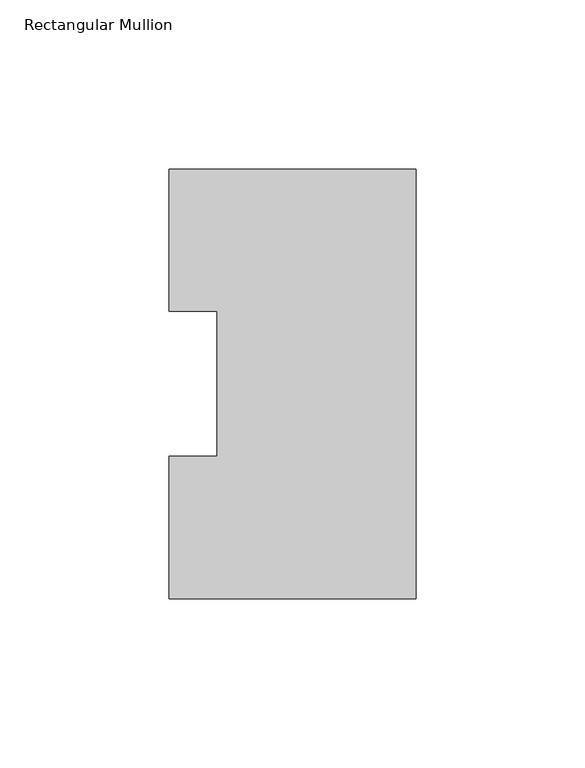
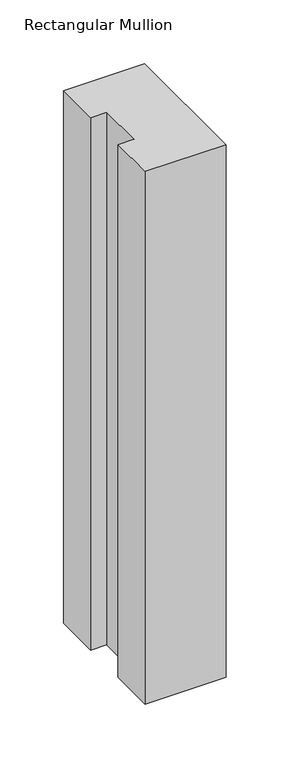
"""IFC4 building model written with IfcOpenShell, lengths in millimetres: member geometry, Rectangular Mullion."""

from ifc_helpers import new_model, si_unit, frame, origin, place, context, project, spatial, polyline, outline, extrude, source, transform, mapped, element, save


def rectangular_mullion_8a8dc2d4(model_context):
    return source(origin(), model_context, "Body", "SweptSolid", [
        extrude(outline(polyline([(0.0, 127.00635), (0.0, 0.00635), (-73.025, 0.00635), (-73.025, 42.08145), (-58.7375, 42.08145), (-58.7375, 84.93125), (-73.025, 84.93125), (-73.025, 127.00635), (0.0, 127.00635)])), frame((0.0, 0.0, -508.152387), z_axis=(0.0, 0.0, 1.0), x_axis=(1.0, 0.0, 0.0)), (0.0, 0.0, 1.0), 508.152387),
    ])


if __name__ == "__main__":
    model = new_model("IFC4")
    model_context = context("Model", 3, world=origin())
    ifc_project = project(units=[si_unit("LENGTHUNIT", "METRE", prefix="MILLI")], contexts=[model_context])
    site = spatial("IfcSite", under=ifc_project)
    building = spatial("IfcBuilding", under=site)
    placement = place(None, origin())
    rectangular_mullion_shape = rectangular_mullion_8a8dc2d4(model_context)
    element("IfcMember", 1, ObjectType="Rectangular Mullion", at=placement, inside=building, context=model_context, shape_type="MappedRepresentation", body=[
        mapped(rectangular_mullion_shape, transform((0.0, 0.0, 0.0), x_axis=(1.0, 0.0, 0.0), y_axis=(0.0, 1.0, 0.0), z_axis=(0.0, 0.0, 1.0))),
    ])
    save(model, "model.ifc")
